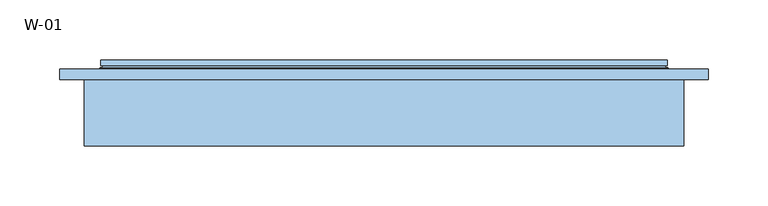
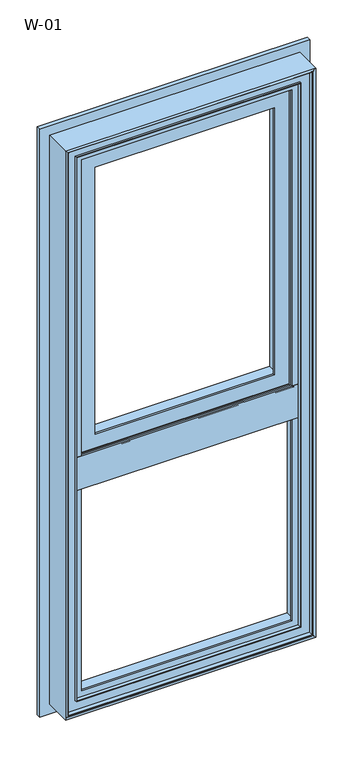
"""IFC4 building model written with IfcOpenShell, lengths in millimetres: window geometry, W-01."""

from ifc_helpers import new_model, si_unit, frame, origin, place, context, project, spatial, polyline, ellipse_curve, outline, extrude, source, transform, mapped, element, save
from ifc_brep_helpers import plane_surface, cylinder_surface, revolved_surface, advanced_brep


def w_01_54bfb0ae(model_context):
    return source(origin(), model_context, "Body", "SolidModel", [
        advanced_brep(
        [(235.8588651, 121.9998959, 1685.8588651), (235.8588651, 121.9998959, 1009.1411349), (235.8588651, 126.5998959, 1009.1411349), (235.8588651, 126.5998959, 1685.8588651), (-235.8588651, 126.5998959, 1685.8588651), (-235.8588651, 126.5998959, 1009.1411349), (199.3588651, 126.5998959, 1649.3588651), (-199.3588651, 126.5998959, 1649.3588651), (-199.3588651, 126.5998959, 1045.6411349), (199.3588651, 126.5998959, 1045.6411349), (-235.8588651, 121.9998959, 1009.1411349), (-235.8588651, 121.9998959, 1685.8588651), (-233.7537664, 121.9998959, 1683.7537664), (233.7537664, 121.9998959, 1683.7537664), (233.7537664, 121.9998959, 1011.2462336), (-233.7537664, 121.9998959, 1011.2462336), (236.4637148, 119.9946704, 1686.4637148), (236.4637148, 119.9946704, 1008.5362852), (-236.4637148, 119.9946704, 1008.5362852), (237.2086873, 118.9999375, 1687.2086873), (237.2086873, 118.9999375, 1007.7913127), (-237.2086873, 118.9999375, 1007.7913127), (-237.2086873, 118.9999375, 1687.2086873), (-218.3588678, 118.9999375, 1668.3588678), (218.3588678, 118.9999375, 1668.3588678), (218.3588678, 118.9999375, 1026.6411322), (-218.3588678, 118.9999375, 1026.6411322), (218.3588678, 76.0998843, 1668.3588678), (218.3588678, 76.0998843, 1026.6411322), (-218.3588678, 76.0998843, 1026.6411322), (217.8588679, 75.5998845, 1667.8588679), (217.8588679, 75.5998845, 1027.1411321), (-217.8588679, 75.5998845, 1027.1411321), (218.144223, 74.6078109, 1668.144223), (218.144223, 74.6078109, 1026.855777), (-218.144223, 74.6078109, 1026.855777), (215.4347904, 72.6034283, 1665.4347904), (215.4347904, 72.6034283, 1029.5652096), (-215.4347904, 72.6034283, 1029.5652096), (-215.4347904, 72.6034283, 1665.4347904), (-212.0349667, 72.6034283, 1662.0349667), (212.0349667, 72.6034283, 1662.0349667), (212.0349667, 72.6034283, 1032.9650333), (-212.0349667, 72.6034283, 1032.9650333), (208.8054323, 74.6078109, 1658.8054323), (208.8054323, 74.6078109, 1036.1945677), (-208.8054323, 74.6078109, 1036.1945677), (208.340576, 75.5998877, 1658.340576), (208.340576, 75.5998877, 1036.659424), (-208.340576, 75.5998877, 1036.659424), (-208.340576, 75.5998877, 1658.340576), (-179.3588709, 75.5998877, 1629.3588709), (179.3588709, 75.5998877, 1629.3588709), (179.3588709, 75.5998877, 1065.6411291), (-179.3588709, 75.5998877, 1065.6411291), (179.3588709, 80.1998877, 1629.3588709), (179.3588709, 80.1998877, 1065.6411291), (-179.3588709, 80.1998877, 1065.6411291), (-199.3588651, 80.1998877, 1649.3588651), (199.3588651, 80.1998877, 1649.3588651), (199.3588651, 80.1998877, 1045.6411349), (-199.3588651, 80.1998877, 1045.6411349), (-179.3588709, 80.1998877, 1629.3588709), (-236.4637148, 119.9946704, 1686.4637148), (-218.3588678, 76.0998843, 1668.3588678), (-217.8588679, 75.5998845, 1667.8588679), (-218.144223, 74.6078109, 1668.144223), (-208.8054323, 74.6078109, 1658.8054323)],
        [
            (0, 1),
            (1, 2),
            (2, 3),
            (3, 0),
            (4, 3),
            (2, 5),
            (5, 4),
            (6, 7),
            (7, 8),
            (8, 9),
            (9, 6),
            (1, 10),
            (10, 5),
            (0, 11),
            (11, 10),
            (12, 13),
            (13, 14),
            (14, 15),
            (15, 12),
            (16, 17),
            (17, 14, ellipse_curve(frame((237.5848432, 124.3435951, 1007.4151568), z_axis=(-0.7071067811865475, 0.0, -0.7071067811865475), x_axis=(0.7071067811865474, 0.0, -0.7071067811865476)), 6.3513896, 4.4911107)),
            (13, 16, ellipse_curve(frame((237.5848432, 124.3435951, 1687.5848432), z_axis=(-0.7071067811865475, 0.0, 0.7071067811865475), x_axis=(-0.7071067811865474, 0.0, -0.7071067811865476)), 6.3513896, 4.4911107)),
            (17, 18),
            (18, 15, ellipse_curve(frame((-237.5848432, 124.3435951, 1007.4151568), z_axis=(-0.7071067811865475, 0.0, 0.7071067811865475), x_axis=(-0.7071067811865476, 0.0, -0.7071067811865474)), 6.3513896, 4.4911107)),
            (19, 20),
            (20, 17),
            (16, 19),
            (20, 21),
            (21, 18),
            (19, 22),
            (22, 21),
            (23, 24),
            (24, 25),
            (25, 26),
            (26, 23),
            (27, 28),
            (28, 25),
            (24, 27),
            (28, 29),
            (29, 26),
            (30, 31),
            (31, 28, ellipse_curve(frame((217.8588679, 76.0998843, 1027.1411321), z_axis=(0.7071067811865475, 0.0, 0.7071067811865475), x_axis=(-0.7071067811865474, 0.0, 0.7071067811865476)), 0.7071066, 0.4999999)),
            (27, 30, ellipse_curve(frame((217.8588679, 76.0998843, 1667.8588679), z_axis=(0.7071067811865475, 0.0, -0.7071067811865475), x_axis=(0.7071067811865474, 0.0, 0.7071067811865476)), 0.7071066, 0.4999999)),
            (31, 32),
            (32, 29, ellipse_curve(frame((-217.8588679, 76.0998843, 1027.1411321), z_axis=(0.7071067811865475, 0.0, -0.7071067811865475), x_axis=(0.7071067811865476, 0.0, 0.7071067811865474)), 0.7071066, 0.4999999)),
            (33, 34),
            (34, 31),
            (30, 33),
            (34, 35),
            (35, 32),
            (36, 37),
            (37, 34, ellipse_curve(frame((219.2653514, 70.2588862, 1025.7346486), z_axis=(-0.7071067811865475, 0.0, -0.7071067811865475), x_axis=(0.7071067811865474, 0.0, -0.7071067811865476)), 6.3513896, 4.4911107)),
            (33, 36, ellipse_curve(frame((219.2653514, 70.2588862, 1669.2653514), z_axis=(-0.7071067811865475, 0.0, 0.7071067811865475), x_axis=(-0.7071067811865474, 0.0, -0.7071067811865476)), 6.3513896, 4.4911107)),
            (37, 38),
            (38, 35, ellipse_curve(frame((-219.2653514, 70.2588862, 1025.7346486), z_axis=(-0.7071067811865475, 0.0, 0.7071067811865475), x_axis=(-0.7071067811865476, 0.0, -0.7071067811865474)), 6.3513896, 4.4911107)),
            (36, 39),
            (39, 38),
            (40, 41),
            (41, 42),
            (42, 43),
            (43, 40),
            (44, 45),
            (45, 42, ellipse_curve(frame((208.5540914, 70.5988781, 1036.4459086), z_axis=(-0.7071067811865475, 0.0, -0.7071067811865475), x_axis=(0.7071067811865474, 0.0, -0.7071067811865476)), 5.6806187, 4.016804)),
            (41, 44, ellipse_curve(frame((208.5540914, 70.5988781, 1658.5540914), z_axis=(-0.7071067811865475, 0.0, 0.7071067811865475), x_axis=(-0.7071067811865474, 0.0, -0.7071067811865476)), 5.6806187, 4.016804)),
            (45, 46),
            (46, 43, ellipse_curve(frame((-208.5540914, 70.5988781, 1036.4459086), z_axis=(-0.7071067811865475, 0.0, 0.7071067811865475), x_axis=(-0.7071067811865476, 0.0, -0.7071067811865474)), 5.6806187, 4.016804)),
            (47, 48),
            (48, 45),
            (44, 47),
            (48, 49),
            (49, 46),
            (47, 50),
            (50, 49),
            (51, 52),
            (52, 53),
            (53, 54),
            (54, 51),
            (55, 56),
            (56, 53),
            (52, 55),
            (56, 57),
            (57, 54),
            (58, 59),
            (59, 60),
            (60, 61),
            (61, 58),
            (55, 62),
            (62, 57),
            (9, 60),
            (59, 6),
            (8, 61),
            (11, 4),
            (18, 63),
            (63, 12, ellipse_curve(frame((-237.5848432, 124.3435951, 1687.5848432), z_axis=(0.7071067811865475, 0.0, 0.7071067811865475), x_axis=(-0.7071067811865474, 0.0, 0.7071067811865476)), 6.3513896, 4.4911107)),
            (22, 63),
            (29, 64),
            (64, 23),
            (32, 65),
            (65, 64, ellipse_curve(frame((-217.8588679, 76.0998843, 1667.8588679), z_axis=(-0.7071067811865475, 0.0, -0.7071067811865475), x_axis=(0.7071067811865474, 0.0, -0.7071067811865476)), 0.7071066, 0.4999999)),
            (35, 66),
            (66, 65),
            (39, 66, ellipse_curve(frame((-219.2653514, 70.2588862, 1669.2653514), z_axis=(0.7071067811865475, 0.0, 0.7071067811865475), x_axis=(-0.7071067811865474, 0.0, 0.7071067811865476)), 6.3513896, 4.4911107)),
            (46, 67),
            (67, 40, ellipse_curve(frame((-208.5540914, 70.5988781, 1658.5540914), z_axis=(0.7071067811865475, 0.0, 0.7071067811865475), x_axis=(-0.7071067811865474, 0.0, 0.7071067811865476)), 5.6806187, 4.016804)),
            (50, 67),
            (62, 51),
            (7, 58),
            (63, 16),
            (64, 27),
            (65, 30),
            (66, 33),
            (67, 44),
        ],
        [
            plane_surface(frame((235.8588651, 126.5998959, 1685.8588651), z_axis=(1.0, 0.0, 0.0), x_axis=(0.0, 0.0, -1.0))),
            plane_surface(frame((-199.3588651, 126.5998959, 1045.6411349), z_axis=(0.0, 1.0, 0.0), x_axis=(0.0, 0.0, 1.0))),
            plane_surface(frame((235.8588651, 126.5998959, 1009.1411349), z_axis=(0.0, 0.0, -1.0), x_axis=(-1.0, 0.0, 0.0))),
            plane_surface(frame((-235.8588651, 121.9998959, 1009.1411349), z_axis=(0.0, -1.0, 0.0), x_axis=(0.0, 0.0, 1.0))),
            revolved_surface(polyline([(242.0759539, 124.3435951, 1002.9240461438823), (242.0759539, 124.3435951, 1692.0759538561178)]), (237.5848432, 124.3435951, 1700.0), (0.0, 0.0, -1.0)),
            revolved_surface(polyline([(-242.07595385611774, 124.3435951, 1002.9240460999999), (242.0759538561177, 124.3435951, 1002.9240460999999)]), (250.0, 124.3435951, 1007.4151568), (-1.0, 0.0, 0.0)),
            plane_surface(frame((236.4637148, 119.9946704, 1686.4637148), z_axis=(0.8004158635848707, 0.5994451145198247, 0.0), x_axis=(0.0, 0.0, -1.0))),
            plane_surface(frame((236.4637148, 119.9946704, 1008.5362852), z_axis=(0.0, 0.5994451145198296, -0.800415863584867), x_axis=(-1.0, 0.0, 0.0))),
            plane_surface(frame((-237.2086873, 118.9999375, 1007.7913127), z_axis=(0.0, -1.0, 0.0), x_axis=(0.0, 0.0, 1.0))),
            plane_surface(frame((218.3588678, 118.9999375, 1668.3588678), z_axis=(1.0, 0.0, 0.0), x_axis=(0.0, 0.0, -1.0))),
            plane_surface(frame((218.3588678, 118.9999375, 1026.6411322), z_axis=(0.0, 0.0, -1.0), x_axis=(-1.0, 0.0, 0.0))),
            cylinder_surface(frame((217.8588679, 76.0998843, 1700.0), z_axis=(0.0, 0.0, 1.0), x_axis=(1.0, 0.0, 0.0)), 0.4999999),
            cylinder_surface(frame((250.0, 76.0998843, 1027.1411321), z_axis=(1.0, 0.0, 0.0), x_axis=(0.0, 0.0, -1.0)), 0.4999999),
            plane_surface(frame((217.8588679, 75.5998845, 1667.8588679), z_axis=(0.9610348327667624, 0.27642729642522856, 0.0), x_axis=(0.0, 0.0, -1.0))),
            plane_surface(frame((217.8588679, 75.5998845, 1027.1411321), z_axis=(0.0, 0.27642729642523445, -0.9610348327667607), x_axis=(-1.0, 0.0, 0.0))),
            revolved_surface(polyline([(223.7564621, 70.2588862, 1021.2435379438822), (223.7564621, 70.2588862, 1673.756462056118)]), (219.2653514, 70.2588862, 1700.0), (0.0, 0.0, -1.0)),
            revolved_surface(polyline([(-223.7564620561177, 70.2588862, 1021.2435378999999), (223.7564620561177, 70.2588862, 1021.2435378999999)]), (250.0, 70.2588862, 1025.7346486), (-1.0, 0.0, 0.0)),
            plane_surface(frame((-215.4347904, 72.6034283, 1029.5652096), z_axis=(0.0, -1.0, 0.0), x_axis=(0.0, 0.0, 1.0))),
            revolved_surface(polyline([(212.5708954, 70.5988781, 1032.4291045958948), (212.5708954, 70.5988781, 1662.5708954041052)]), (208.5540914, 70.5988781, 1700.0), (0.0, 0.0, -1.0)),
            revolved_surface(polyline([(-212.5708954041051, 70.5988781, 1032.4291045999998), (212.5708954041051, 70.5988781, 1032.4291045999998)]), (250.0, 70.5988781, 1036.4459086), (-1.0, 0.0, 0.0)),
            plane_surface(frame((208.8054323, 74.6078109, 1658.8054323), z_axis=(-0.9055219642805072, -0.4242993898246519, 0.0), x_axis=(0.0, 0.0, -1.0))),
            plane_surface(frame((208.8054323, 74.6078109, 1036.1945677), z_axis=(0.0, -0.4242993898246574, 0.9055219642805047), x_axis=(-1.0, 0.0, 0.0))),
            plane_surface(frame((-208.340576, 75.5998877, 1036.659424), z_axis=(0.0, -1.0, 0.0), x_axis=(0.0, 0.0, 1.0))),
            plane_surface(frame((179.3588709, 75.5998877, 1629.3588709), z_axis=(-1.0, 0.0, 0.0), x_axis=(0.0, 0.0, -1.0))),
            plane_surface(frame((179.3588709, 75.5998877, 1065.6411291), z_axis=(0.0, 0.0, 1.0), x_axis=(-1.0, 0.0, 0.0))),
            plane_surface(frame((-179.3588709, 80.1998877, 1065.6411291), z_axis=(0.0, 1.0, 0.0), x_axis=(0.0, 0.0, 1.0))),
            plane_surface(frame((199.3588651, 80.1998877, 1649.3588651), z_axis=(-1.0, 0.0, 0.0), x_axis=(0.0, 0.0, -1.0))),
            plane_surface(frame((199.3588651, 80.1998877, 1045.6411349), z_axis=(0.0, 0.0, 1.0), x_axis=(-1.0, 0.0, 0.0))),
            plane_surface(frame((-235.8588651, 126.5998959, 1009.1411349), z_axis=(-1.0, 0.0, 0.0), x_axis=(0.0, 0.0, 1.0))),
            revolved_surface(polyline([(-242.0759539, 124.3435951, 1692.0759538561178), (-242.0759539, 124.3435951, 1002.9240461438823)]), (-237.5848432, 124.3435951, 995.0), (0.0, 0.0, 1.0)),
            plane_surface(frame((-236.4637148, 119.9946704, 1008.5362852), z_axis=(-0.8004158635848634, 0.5994451145198345, 0.0), x_axis=(0.0, 0.0, 1.0))),
            plane_surface(frame((-218.3588678, 118.9999375, 1026.6411322), z_axis=(-1.0, 0.0, 0.0), x_axis=(0.0, 0.0, 1.0))),
            cylinder_surface(frame((-217.8588679, 76.0998843, 995.0), z_axis=(0.0, 0.0, -1.0), x_axis=(-1.0, 0.0, 0.0)), 0.4999999),
            plane_surface(frame((-217.8588679, 75.5998845, 1027.1411321), z_axis=(-0.961034832766759, 0.27642729642524033, 0.0), x_axis=(0.0, 0.0, 1.0))),
            revolved_surface(polyline([(-223.7564621, 70.2588862, 1673.756462056118), (-223.7564621, 70.2588862, 1021.2435379438822)]), (-219.2653514, 70.2588862, 995.0), (0.0, 0.0, 1.0)),
            revolved_surface(polyline([(-212.5708954, 70.5988781, 1662.5708954041052), (-212.5708954, 70.5988781, 1032.4291045958948)]), (-208.5540914, 70.5988781, 995.0), (0.0, 0.0, 1.0)),
            plane_surface(frame((-208.8054323, 74.6078109, 1036.1945677), z_axis=(0.9055219642805021, -0.424299389824663, 0.0), x_axis=(0.0, 0.0, 1.0))),
            plane_surface(frame((-179.3588709, 75.5998877, 1065.6411291), z_axis=(1.0, 0.0, 0.0), x_axis=(0.0, 0.0, 1.0))),
            plane_surface(frame((-199.3588651, 80.1998877, 1045.6411349), z_axis=(1.0, 0.0, 0.0), x_axis=(0.0, 0.0, 1.0))),
            plane_surface(frame((-235.8588651, 126.5998959, 1685.8588651), z_axis=(0.0, 0.0, 1.0), x_axis=(1.0, 0.0, 0.0))),
            revolved_surface(polyline([(242.07595385611774, 124.3435951, 1692.0759539), (-242.0759538561177, 124.3435951, 1692.0759539)]), (-250.0, 124.3435951, 1687.5848432), (1.0, 0.0, 0.0)),
            plane_surface(frame((-236.4637148, 119.9946704, 1686.4637148), z_axis=(0.0, 0.5994451145198296, 0.800415863584867), x_axis=(1.0, 0.0, 0.0))),
            plane_surface(frame((-218.3588678, 118.9999375, 1668.3588678), z_axis=(0.0, 0.0, 1.0), x_axis=(1.0, 0.0, 0.0))),
            cylinder_surface(frame((-250.0, 76.0998843, 1667.8588679), z_axis=(-1.0, 0.0, 0.0), x_axis=(0.0, 0.0, 1.0)), 0.4999999),
            plane_surface(frame((-217.8588679, 75.5998845, 1667.8588679), z_axis=(0.0, 0.27642729642523445, 0.9610348327667607), x_axis=(1.0, 0.0, 0.0))),
            revolved_surface(polyline([(223.7564620561177, 70.2588862, 1673.7564621000001), (-223.7564620561177, 70.2588862, 1673.7564621000001)]), (-250.0, 70.2588862, 1669.2653514), (1.0, 0.0, 0.0)),
            revolved_surface(polyline([(212.5708954041051, 70.5988781, 1662.5708954000002), (-212.5708954041051, 70.5988781, 1662.5708954000002)]), (-250.0, 70.5988781, 1658.5540914), (1.0, 0.0, 0.0)),
            plane_surface(frame((-208.8054323, 74.6078109, 1658.8054323), z_axis=(0.0, -0.4242993898246574, -0.9055219642805047), x_axis=(1.0, 0.0, 0.0))),
            plane_surface(frame((-179.3588709, 75.5998877, 1629.3588709), z_axis=(0.0, 0.0, -1.0), x_axis=(1.0, 0.0, 0.0))),
            plane_surface(frame((-199.3588651, 80.1998877, 1649.3588651), z_axis=(0.0, 0.0, -1.0), x_axis=(1.0, 0.0, 0.0))),
        ],
        [
            (0, [[1, 2, 3, 4]]),
            (1, [[5, -3, 6, 7], [8, 9, 10, 11]]),
            (2, [[12, 13, -6, -2]]),
            (3, [[14, 15, -12, -1], [16, 17, 18, 19]]),
            (4, [[20, 21, -17, 22]]),
            (5, [[23, 24, -18, -21]]),
            (6, [[25, 26, -20, 27]]),
            (7, [[28, 29, -23, -26]]),
            (8, [[30, 31, -28, -25], [32, 33, 34, 35]]),
            (9, [[36, 37, -33, 38]]),
            (10, [[39, 40, -34, -37]]),
            (11, [[41, 42, -36, 43]]),
            (12, [[44, 45, -39, -42]]),
            (13, [[46, 47, -41, 48]]),
            (14, [[49, 50, -44, -47]]),
            (15, [[51, 52, -46, 53]]),
            (16, [[54, 55, -49, -52]]),
            (17, [[56, 57, -54, -51], [58, 59, 60, 61]]),
            (18, [[62, 63, -59, 64]]),
            (19, [[65, 66, -60, -63]]),
            (20, [[67, 68, -62, 69]]),
            (21, [[70, 71, -65, -68]]),
            (22, [[72, 73, -70, -67], [74, 75, 76, 77]]),
            (23, [[78, 79, -75, 80]]),
            (24, [[81, 82, -76, -79]]),
            (25, [[83, 84, 85, 86], [87, 88, -81, -78]]),
            (26, [[-11, 89, -84, 90]]),
            (27, [[-10, 91, -85, -89]]),
            (28, [[-15, 92, -7, -13]]),
            (29, [[93, 94, -19, -24]]),
            (30, [[-31, 95, -93, -29]]),
            (31, [[96, 97, -35, -40]]),
            (32, [[98, 99, -96, -45]]),
            (33, [[100, 101, -98, -50]]),
            (34, [[-57, 102, -100, -55]]),
            (35, [[103, 104, -61, -66]]),
            (36, [[-73, 105, -103, -71]]),
            (37, [[-88, 106, -77, -82]]),
            (38, [[-9, 107, -86, -91]]),
            (39, [[-14, -4, -5, -92]]),
            (40, [[108, -22, -16, -94]]),
            (41, [[-30, -27, -108, -95]]),
            (42, [[109, -38, -32, -97]]),
            (43, [[110, -43, -109, -99]]),
            (44, [[111, -48, -110, -101]]),
            (45, [[-56, -53, -111, -102]]),
            (46, [[112, -64, -58, -104]]),
            (47, [[-72, -69, -112, -105]]),
            (48, [[-87, -80, -74, -106]]),
            (49, [[-8, -90, -83, -107]]),
        ],
    ),
        extrude(outline(polyline([(68.9990172, 964.9999652), (68.9990172, 1035.0000026), (72.5990172, 1035.0000026), (72.5990172, 1015.0000187), (118.9999375, 1015.0000187), (118.9999375, 984.9999813), (72.5990172, 984.9999813), (72.5990172, 964.9999652), (68.9990172, 964.9999652)])), frame((-230.0, 0.0, 0.0), z_axis=(1.0, 0.0, 0.0), x_axis=(0.0, 1.0, 0.0)), (0.0, 0.0, 1.0), 460.0),
        advanced_brep(
        [(270.000038, 110.0, 1720.000038), (270.000038, 110.0, 479.999962), (270.000038, 118.9999375, 479.999962), (270.000038, 118.9999375, 1720.000038), (-270.000038, 118.9999375, 1720.000038), (-270.000038, 118.9999375, 479.999962), (230.0000396, 118.9999375, 1680.0000396), (-230.0000396, 118.9999375, 1680.0000396), (-230.0000396, 118.9999375, 519.9999604), (230.0000396, 118.9999375, 519.9999604), (-270.000038, 110.0, 479.999962), (-270.000038, 110.0, 1720.000038), (-250.0, 110.0, 1700.0), (250.0, 110.0, 1700.0), (250.0, 110.0, 500.0), (-250.0, 110.0, 500.0), (250.0, 54.8507969, 1700.0), (250.0, 54.8507969, 500.0), (-250.0, 54.8507969, 500.0), (245.0001465, 54.8506112, 1695.0001465), (245.0001465, 54.8506112, 504.9998535), (-245.0001465, 54.8506112, 504.9998535), (245.0001465, 56.5920405, 1695.0001465), (245.0001465, 56.5920405, 504.9998535), (-245.0001465, 56.5920405, 504.9998535), (243.8001794, 56.5908144, 1693.8001794), (243.8001794, 56.5908144, 506.1998206), (-243.8001794, 56.5908144, 506.1998206), (243.8001794, 65.9999813, 1693.8001794), (243.8001794, 65.9999813, 506.1998206), (-243.8001794, 65.9999813, 506.1998206), (-243.8001794, 65.9999813, 1693.8001794), (-224.2001794, 65.9999813, 1674.2001794), (224.2001794, 65.9999813, 1674.2001794), (224.2001794, 65.9999813, 525.7998206), (-224.2001794, 65.9999813, 525.7998206), (224.2001794, 61.9999728, 1674.2001794), (224.2001794, 61.9999728, 525.7998206), (-224.2001794, 61.9999728, 525.7998206), (-224.2001794, 61.9999728, 1674.2001794), (-222.6156704, 61.9999728, 1672.6156704), (222.6156704, 61.9999728, 1672.6156704), (222.6156704, 61.9999728, 527.3843296), (-222.6156704, 61.9999728, 527.3843296), (222.8755675, 68.9999299, 1672.8755675), (222.8755675, 68.9999299, 527.1244325), (-222.8755675, 68.9999299, 527.1244325), (-222.8755675, 68.9999299, 1672.8755675), (-210.0002274, 68.9999299, 1660.0002274), (210.0002274, 68.9999299, 1660.0002274), (210.0002274, 68.9999299, 539.9997726), (-210.0002274, 68.9999299, 539.9997726), (210.0002274, 72.5999758, 1660.0002274), (210.0002274, 72.5999758, 539.9997726), (-210.0002274, 72.5999758, 539.9997726), (-230.0000396, 72.5999758, 1680.0000396), (230.0000396, 72.5999758, 1680.0000396), (230.0000396, 72.5999758, 519.9999604), (-230.0000396, 72.5999758, 519.9999604), (-210.0002274, 72.5999758, 1660.0002274), (-250.0, 54.8507969, 1700.0), (-245.0001465, 54.8506112, 1695.0001465), (-245.0001465, 56.5920405, 1695.0001465), (-243.8001794, 56.5908144, 1693.8001794)],
        [
            (0, 1),
            (1, 2),
            (2, 3),
            (3, 0),
            (4, 3),
            (2, 5),
            (5, 4),
            (6, 7),
            (7, 8),
            (8, 9),
            (9, 6),
            (1, 10),
            (10, 5),
            (0, 11),
            (11, 10),
            (12, 13),
            (13, 14),
            (14, 15),
            (15, 12),
            (16, 17),
            (17, 14),
            (13, 16),
            (17, 18),
            (18, 15),
            (19, 20),
            (20, 17, ellipse_curve(frame((247.5001465, 52.8785929, 502.4998535), z_axis=(-0.7071067811865475, 0.0, -0.7071067811865475), x_axis=(0.7071067811865474, 0.0, -0.7071067811865476)), 4.5030781, 3.184157)),
            (16, 19, ellipse_curve(frame((247.5001465, 52.8785929, 1697.5001465), z_axis=(-0.7071067811865475, 0.0, 0.7071067811865475), x_axis=(-0.7071067811865474, 0.0, -0.7071067811865476)), 4.5030781, 3.184157)),
            (20, 21),
            (21, 18, ellipse_curve(frame((-247.5001465, 52.8785929, 502.4998535), z_axis=(-0.7071067811865475, 0.0, 0.7071067811865475), x_axis=(-0.7071067811865476, 0.0, -0.7071067811865474)), 4.5030781, 3.184157)),
            (22, 23),
            (23, 20),
            (19, 22),
            (23, 24),
            (24, 21),
            (25, 26),
            (26, 23, ellipse_curve(frame((244.4001534, 56.6007652, 505.5998466), z_axis=(0.7071067811865475, 0.0, 0.7071067811865475), x_axis=(-0.7071067811865474, 0.0, 0.7071067811865476)), 0.8486081, 0.6000566)),
            (22, 25, ellipse_curve(frame((244.4001534, 56.6007652, 1694.4001534), z_axis=(0.7071067811865475, 0.0, -0.7071067811865475), x_axis=(0.7071067811865474, 0.0, 0.7071067811865476)), 0.8486081, 0.6000566)),
            (26, 27),
            (27, 24, ellipse_curve(frame((-244.4001534, 56.6007652, 505.5998466), z_axis=(0.7071067811865475, 0.0, -0.7071067811865475), x_axis=(0.7071067811865476, 0.0, 0.7071067811865474)), 0.8486081, 0.6000566)),
            (28, 29),
            (29, 26),
            (25, 28),
            (29, 30),
            (30, 27),
            (28, 31),
            (31, 30),
            (32, 33),
            (33, 34),
            (34, 35),
            (35, 32),
            (36, 37),
            (37, 34),
            (33, 36),
            (37, 38),
            (38, 35),
            (36, 39),
            (39, 38),
            (40, 41),
            (41, 42),
            (42, 43),
            (43, 40),
            (44, 45),
            (45, 42),
            (41, 44),
            (45, 46),
            (46, 43),
            (44, 47),
            (47, 46),
            (48, 49),
            (49, 50),
            (50, 51),
            (51, 48),
            (52, 53),
            (53, 50),
            (49, 52),
            (53, 54),
            (54, 51),
            (55, 56),
            (56, 57),
            (57, 58),
            (58, 55),
            (52, 59),
            (59, 54),
            (9, 57),
            (56, 6),
            (8, 58),
            (11, 4),
            (18, 60),
            (60, 12),
            (21, 61),
            (61, 60, ellipse_curve(frame((-247.5001465, 52.8785929, 1697.5001465), z_axis=(0.7071067811865475, 0.0, 0.7071067811865475), x_axis=(-0.7071067811865474, 0.0, 0.7071067811865476)), 4.5030781, 3.184157)),
            (24, 62),
            (62, 61),
            (27, 63),
            (63, 62, ellipse_curve(frame((-244.4001534, 56.6007652, 1694.4001534), z_axis=(-0.7071067811865475, 0.0, -0.7071067811865475), x_axis=(0.7071067811865474, 0.0, -0.7071067811865476)), 0.8486081, 0.6000566)),
            (31, 63),
            (39, 32),
            (47, 40),
            (59, 48),
            (7, 55),
            (60, 16),
            (61, 19),
            (62, 22),
            (63, 25),
        ],
        [
            plane_surface(frame((270.000038, 118.9999375, 1720.000038), z_axis=(1.0, 0.0, 0.0), x_axis=(0.0, 0.0, -1.0))),
            plane_surface(frame((-230.0000396, 118.9999375, 519.9999604), z_axis=(0.0, 1.0, 0.0), x_axis=(0.0, 0.0, 1.0))),
            plane_surface(frame((270.000038, 118.9999375, 479.999962), z_axis=(0.0, 0.0, -1.0), x_axis=(-1.0, 0.0, 0.0))),
            plane_surface(frame((-270.000038, 110.0, 479.999962), z_axis=(0.0, -1.0, 0.0), x_axis=(0.0, 0.0, 1.0))),
            plane_surface(frame((250.0, 110.0, 1700.0), z_axis=(1.0, 0.0, 0.0), x_axis=(0.0, 0.0, -1.0))),
            plane_surface(frame((250.0, 110.0, 500.0), z_axis=(0.0, 0.0, -1.0), x_axis=(-1.0, 0.0, 0.0))),
            revolved_surface(polyline([(250.6843035, 52.8785929, 499.3156964392774), (250.6843035, 52.8785929, 1700.6843035607226)]), (247.5001465, 52.8785929, 1700.0), (0.0, 0.0, -1.0)),
            revolved_surface(polyline([(-250.68430356072264, 52.8785929, 499.31569649999994), (250.68430356072264, 52.8785929, 499.31569649999994)]), (250.0, 52.8785929, 502.4998535), (-1.0, 0.0, 0.0)),
            plane_surface(frame((245.0001465, 54.8506112, 1695.0001465), z_axis=(-1.0, 0.0, 0.0), x_axis=(0.0, 0.0, -1.0))),
            plane_surface(frame((245.0001465, 54.8506112, 504.9998535), z_axis=(0.0, 0.0, 1.0), x_axis=(-1.0, 0.0, 0.0))),
            cylinder_surface(frame((244.4001534, 56.6007652, 1700.0), z_axis=(0.0, 0.0, 1.0), x_axis=(1.0, 0.0, 0.0)), 0.6000566),
            cylinder_surface(frame((250.0, 56.6007652, 505.5998466), z_axis=(1.0, 0.0, 0.0), x_axis=(0.0, 0.0, -1.0)), 0.6000566),
            plane_surface(frame((243.8001794, 56.5908144, 1693.8001794), z_axis=(-1.0, 0.0, 0.0), x_axis=(0.0, 0.0, -1.0))),
            plane_surface(frame((243.8001794, 56.5908144, 506.1998206), z_axis=(0.0, 0.0, 1.0), x_axis=(-1.0, 0.0, 0.0))),
            plane_surface(frame((-243.8001794, 65.9999813, 506.1998206), z_axis=(0.0, -1.0, 0.0), x_axis=(0.0, 0.0, 1.0))),
            plane_surface(frame((224.2001794, 65.9999813, 1674.2001794), z_axis=(1.0, 0.0, 0.0), x_axis=(0.0, 0.0, -1.0))),
            plane_surface(frame((224.2001794, 65.9999813, 525.7998206), z_axis=(0.0, 0.0, -1.0), x_axis=(-1.0, 0.0, 0.0))),
            plane_surface(frame((-224.2001794, 61.9999728, 525.7998206), z_axis=(0.0, -1.0, 0.0), x_axis=(0.0, 0.0, 1.0))),
            plane_surface(frame((222.6156704, 61.9999728, 1672.6156704), z_axis=(-0.9993114533203381, 0.0371028201460986, 0.0), x_axis=(0.0, 0.0, -1.0))),
            plane_surface(frame((222.6156704, 61.9999728, 527.3843296), z_axis=(0.0, 0.03710282014609248, 0.9993114533203383), x_axis=(-1.0, 0.0, 0.0))),
            plane_surface(frame((-222.8755675, 68.9999299, 527.1244325), z_axis=(0.0, -1.0, 0.0), x_axis=(0.0, 0.0, 1.0))),
            plane_surface(frame((210.0002274, 68.9999299, 1660.0002274), z_axis=(-1.0, 0.0, 0.0), x_axis=(0.0, 0.0, -1.0))),
            plane_surface(frame((210.0002274, 68.9999299, 539.9997726), z_axis=(0.0, 0.0, 1.0), x_axis=(-1.0, 0.0, 0.0))),
            plane_surface(frame((-210.0002274, 72.5999758, 539.9997726), z_axis=(0.0, 1.0, 0.0), x_axis=(0.0, 0.0, 1.0))),
            plane_surface(frame((230.0000396, 72.5999758, 1680.0000396), z_axis=(-1.0, 0.0, 0.0), x_axis=(0.0, 0.0, -1.0))),
            plane_surface(frame((230.0000396, 72.5999758, 519.9999604), z_axis=(0.0, 0.0, 1.0), x_axis=(-1.0, 0.0, 0.0))),
            plane_surface(frame((-270.000038, 118.9999375, 479.999962), z_axis=(-1.0, 0.0, 0.0), x_axis=(0.0, 0.0, 1.0))),
            plane_surface(frame((-250.0, 110.0, 500.0), z_axis=(-1.0, 0.0, 0.0), x_axis=(0.0, 0.0, 1.0))),
            revolved_surface(polyline([(-250.6843035, 52.8785929, 1700.6843035607226), (-250.6843035, 52.8785929, 499.31569643927736)]), (-247.5001465, 52.8785929, 500.0), (0.0, 0.0, 1.0)),
            plane_surface(frame((-245.0001465, 54.8506112, 504.9998535), z_axis=(1.0, 0.0, 0.0), x_axis=(0.0, 0.0, 1.0))),
            cylinder_surface(frame((-244.4001534, 56.6007652, 500.0), z_axis=(0.0, 0.0, -1.0), x_axis=(-1.0, 0.0, 0.0)), 0.6000566),
            plane_surface(frame((-243.8001794, 56.5908144, 506.1998206), z_axis=(1.0, 0.0, 0.0), x_axis=(0.0, 0.0, 1.0))),
            plane_surface(frame((-224.2001794, 65.9999813, 525.7998206), z_axis=(-1.0, 0.0, 0.0), x_axis=(0.0, 0.0, 1.0))),
            plane_surface(frame((-222.6156704, 61.9999728, 527.3843296), z_axis=(0.9993114533203385, 0.03710282014608636, 0.0), x_axis=(0.0, 0.0, 1.0))),
            plane_surface(frame((-210.0002274, 68.9999299, 539.9997726), z_axis=(1.0, 0.0, 0.0), x_axis=(0.0, 0.0, 1.0))),
            plane_surface(frame((-230.0000396, 72.5999758, 519.9999604), z_axis=(1.0, 0.0, 0.0), x_axis=(0.0, 0.0, 1.0))),
            plane_surface(frame((-270.000038, 118.9999375, 1720.000038), z_axis=(0.0, 0.0, 1.0), x_axis=(1.0, 0.0, 0.0))),
            plane_surface(frame((-250.0, 110.0, 1700.0), z_axis=(0.0, 0.0, 1.0), x_axis=(1.0, 0.0, 0.0))),
            revolved_surface(polyline([(250.68430356072264, 52.8785929, 1700.6843035), (-250.68430356072264, 52.8785929, 1700.6843035)]), (-250.0, 52.8785929, 1697.5001465), (1.0, 0.0, 0.0)),
            plane_surface(frame((-245.0001465, 54.8506112, 1695.0001465), z_axis=(0.0, 0.0, -1.0), x_axis=(1.0, 0.0, 0.0))),
            cylinder_surface(frame((-250.0, 56.6007652, 1694.4001534), z_axis=(-1.0, 0.0, 0.0), x_axis=(0.0, 0.0, 1.0)), 0.6000566),
            plane_surface(frame((-243.8001794, 56.5908144, 1693.8001794), z_axis=(0.0, 0.0, -1.0), x_axis=(1.0, 0.0, 0.0))),
            plane_surface(frame((-224.2001794, 65.9999813, 1674.2001794), z_axis=(0.0, 0.0, 1.0), x_axis=(1.0, 0.0, 0.0))),
            plane_surface(frame((-222.6156704, 61.9999728, 1672.6156704), z_axis=(0.0, 0.03710282014609248, -0.9993114533203383), x_axis=(1.0, 0.0, 0.0))),
            plane_surface(frame((-210.0002274, 68.9999299, 1660.0002274), z_axis=(0.0, 0.0, -1.0), x_axis=(1.0, 0.0, 0.0))),
            plane_surface(frame((-230.0000396, 72.5999758, 1680.0000396), z_axis=(0.0, 0.0, -1.0), x_axis=(1.0, 0.0, 0.0))),
        ],
        [
            (0, [[1, 2, 3, 4]]),
            (1, [[5, -3, 6, 7], [8, 9, 10, 11]]),
            (2, [[12, 13, -6, -2]]),
            (3, [[14, 15, -12, -1], [16, 17, 18, 19]]),
            (4, [[20, 21, -17, 22]]),
            (5, [[23, 24, -18, -21]]),
            (6, [[25, 26, -20, 27]]),
            (7, [[28, 29, -23, -26]]),
            (8, [[30, 31, -25, 32]]),
            (9, [[33, 34, -28, -31]]),
            (10, [[35, 36, -30, 37]]),
            (11, [[38, 39, -33, -36]]),
            (12, [[40, 41, -35, 42]]),
            (13, [[43, 44, -38, -41]]),
            (14, [[45, 46, -43, -40], [47, 48, 49, 50]]),
            (15, [[51, 52, -48, 53]]),
            (16, [[54, 55, -49, -52]]),
            (17, [[56, 57, -54, -51], [58, 59, 60, 61]]),
            (18, [[62, 63, -59, 64]]),
            (19, [[65, 66, -60, -63]]),
            (20, [[67, 68, -65, -62], [69, 70, 71, 72]]),
            (21, [[73, 74, -70, 75]]),
            (22, [[76, 77, -71, -74]]),
            (23, [[78, 79, 80, 81], [82, 83, -76, -73]]),
            (24, [[-11, 84, -79, 85]]),
            (25, [[-10, 86, -80, -84]]),
            (26, [[-15, 87, -7, -13]]),
            (27, [[88, 89, -19, -24]]),
            (28, [[90, 91, -88, -29]]),
            (29, [[92, 93, -90, -34]]),
            (30, [[94, 95, -92, -39]]),
            (31, [[-46, 96, -94, -44]]),
            (32, [[-57, 97, -50, -55]]),
            (33, [[-68, 98, -61, -66]]),
            (34, [[-83, 99, -72, -77]]),
            (35, [[-9, 100, -81, -86]]),
            (36, [[-14, -4, -5, -87]]),
            (37, [[101, -22, -16, -89]]),
            (38, [[102, -27, -101, -91]]),
            (39, [[103, -32, -102, -93]]),
            (40, [[104, -37, -103, -95]]),
            (41, [[-45, -42, -104, -96]]),
            (42, [[-56, -53, -47, -97]]),
            (43, [[-67, -64, -58, -98]]),
            (44, [[-82, -75, -69, -99]]),
            (45, [[-8, -85, -78, -100]]),
        ],
    ),
    ])


if __name__ == "__main__":
    model = new_model("IFC4")
    model_context = context("Model", 3, world=origin())
    ifc_project = project(units=[si_unit("LENGTHUNIT", "METRE", prefix="MILLI")], contexts=[model_context])
    site = spatial("IfcSite", under=ifc_project)
    building = spatial("IfcBuilding", under=site)
    placement = place(None, origin())
    w_01_shape = w_01_54bfb0ae(model_context)
    element("IfcWindow", 1, ObjectType="W-01", at=placement, inside=building, context=model_context, shape_type="MappedRepresentation", body=[
        mapped(w_01_shape, transform((0.0, 0.0, 0.0), x_axis=(1.0, 0.0, 0.0), y_axis=(0.0, 1.0, 0.0), z_axis=(0.0, 0.0, 1.0))),
    ])
    save(model, "model.ifc")
